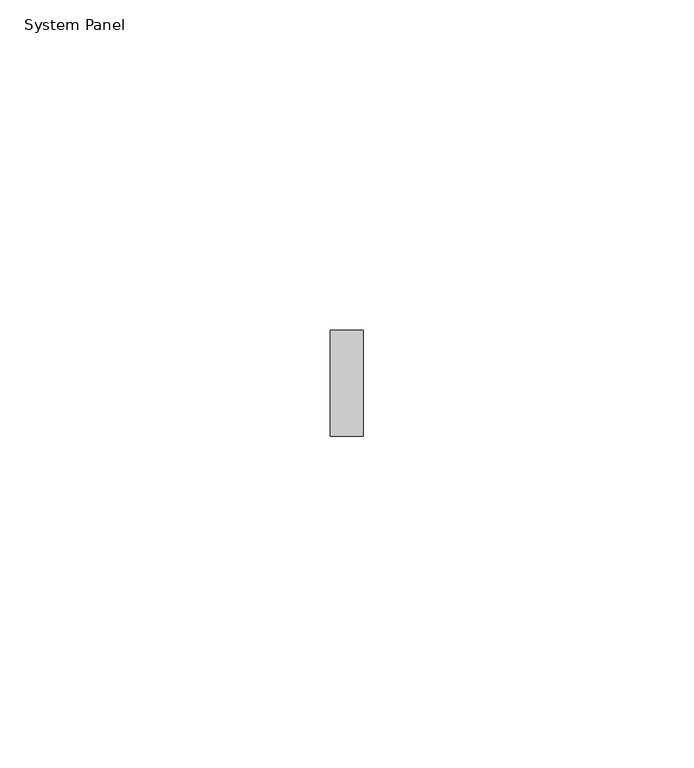
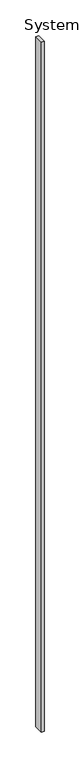
"""IFC4 building model written with IfcOpenShell, lengths in millimetres: plate geometry, System Panel."""

from ifc_helpers import new_model, si_unit, origin, origin_with_axes, place, context, project, spatial, polyline, outline, extrude, source, transform, mapped, element, save


def system_panel_7c24be34(model_context):
    return source(origin(), model_context, "Body", "SweptSolid", [
        extrude(outline(polyline([(2.5, -8.0), (-2.5, -8.0), (-2.5, 8.0), (2.5, 8.0), (2.5, -8.0)])), origin_with_axes(), (0.0, 0.0, 1.0), 1185.0),
    ])


if __name__ == "__main__":
    model = new_model("IFC4")
    model_context = context("Model", 3, world=origin())
    ifc_project = project(units=[si_unit("LENGTHUNIT", "METRE", prefix="MILLI")], contexts=[model_context])
    site = spatial("IfcSite", under=ifc_project)
    building = spatial("IfcBuilding", under=site)
    placement = place(None, origin())
    system_panel_shape = system_panel_7c24be34(model_context)
    element("IfcPlate", 1, ObjectType="System Panel", at=placement, inside=building, context=model_context, shape_type="MappedRepresentation", body=[
        mapped(system_panel_shape, transform((0.0, 0.0, 0.0), x_axis=(1.0, 0.0, 0.0), y_axis=(0.0, 1.0, 0.0), z_axis=(0.0, 0.0, 1.0))),
    ])
    save(model, "model.ifc")
